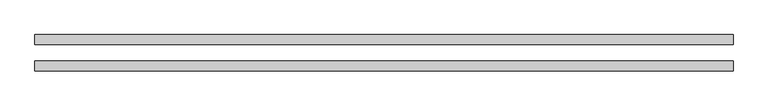
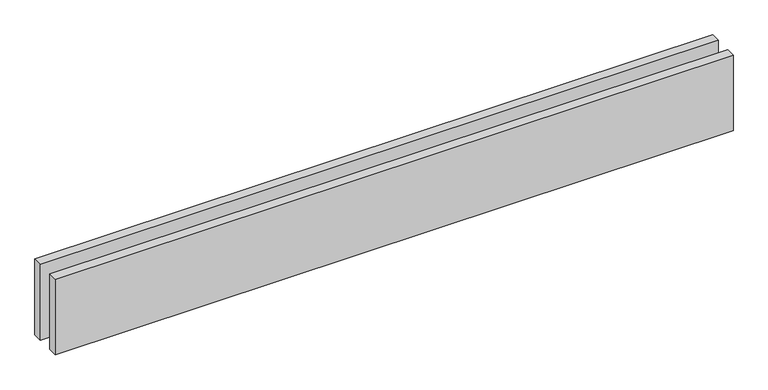
"""IFC4 building model written with IfcOpenShell, lengths in millimetres: proxy geometry."""

from ifc_helpers import new_model, si_unit, origin, origin_with_axes, place, context, project, spatial, polyline, outline, extrude, source, transform, mapped, element, save


def generic_models_ef8c2a2f(model_context):
    return source(origin(), model_context, "Body", "SweptSolid", [
        extrude(outline(polyline([(2120.0, -25.0), (2120.0, -55.0), (0.0, -55.0), (0.0, -25.0), (2120.0, -25.0)])), origin_with_axes(), (0.0, 0.0, 1.0), 250.0),
        extrude(outline(polyline([(2120.0, 55.0), (2120.0, 25.0), (0.0, 25.0), (0.0, 55.0), (2120.0, 55.0)])), origin_with_axes(), (0.0, 0.0, 1.0), 250.0),
    ])


if __name__ == "__main__":
    model = new_model("IFC4")
    model_context = context("Model", 3, world=origin())
    ifc_project = project(units=[si_unit("LENGTHUNIT", "METRE", prefix="MILLI")], contexts=[model_context])
    site = spatial("IfcSite", under=ifc_project)
    building = spatial("IfcBuilding", under=site)
    placement = place(None, origin())
    generic_models_shape = generic_models_ef8c2a2f(model_context)
    element("IfcBuildingElementProxy", 1, Name="Generic Models", at=placement, inside=building, context=model_context, shape_type="MappedRepresentation", body=[
        mapped(generic_models_shape, transform((0.0, 0.0, 0.0), x_axis=(1.0, 0.0, 0.0), y_axis=(0.0, 1.0, 0.0), z_axis=(0.0, 0.0, 1.0))),
    ])
    save(model, "model.ifc")
